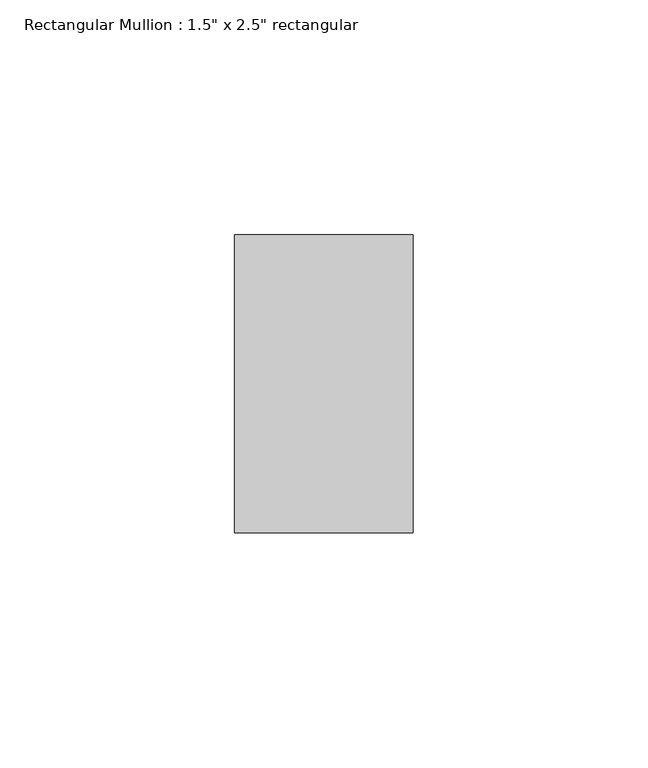
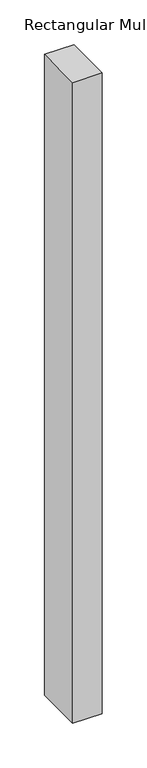
"""IFC4 building model written with IfcOpenShell, lengths in millimetres: member geometry."""

from ifc_helpers import new_model, si_unit, frame, origin, place, context, project, spatial, polyline, outline, extrude, source, transform, mapped, element, save


def member_0a5e025c(model_context):
    return source(origin(), model_context, "Body", "SweptSolid", [
        extrude(outline(polyline([(0.0, 31.75), (0.0, -31.75), (-38.1, -31.75), (-38.1, 31.75), (0.0, 31.75)])), frame((0.0, 0.0, -876.3), z_axis=(0.0, 0.0, 1.0), x_axis=(1.0, 0.0, 0.0)), (0.0, 0.0, 1.0), 876.3),
    ])


if __name__ == "__main__":
    model = new_model("IFC4")
    model_context = context("Model", 3, world=origin())
    ifc_project = project(units=[si_unit("LENGTHUNIT", "METRE", prefix="MILLI")], contexts=[model_context])
    site = spatial("IfcSite", under=ifc_project)
    building = spatial("IfcBuilding", under=site)
    placement = place(None, origin())
    member_shape = member_0a5e025c(model_context)
    element("IfcMember", 1, ObjectType="Rectangular Mullion : 1.5\" x 2.5\" rectangular", at=placement, inside=building, context=model_context, shape_type="MappedRepresentation", body=[
        mapped(member_shape, transform((0.0, 0.0, 0.0), x_axis=(1.0, 0.0, 0.0), y_axis=(0.0, 1.0, 0.0), z_axis=(0.0, 0.0, 1.0))),
    ])
    save(model, "model.ifc")
